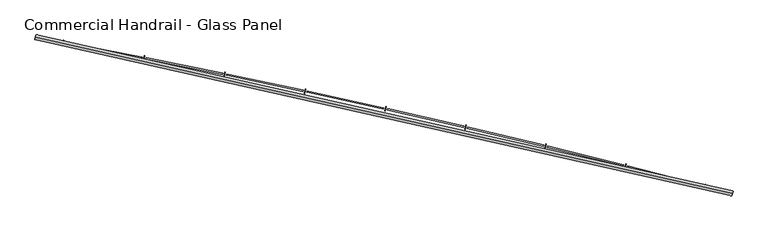
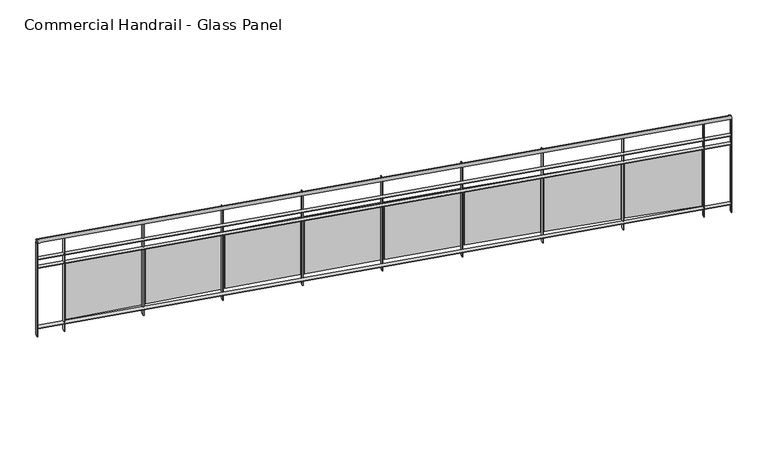
"""IFC4 building model written with IfcOpenShell, lengths in millimetres: railing geometry, Commercial Handrail - Glass Panel."""

from ifc_helpers import new_model, si_unit, point, frame, origin, place, context, project, spatial, polyline, circle_curve, ellipse_curve, trimmed, outline, extrude, source, transform, mapped, element, save
from ifc_brep_helpers import plane_surface, cylinder_surface, revolved_surface, advanced_brep


def commercial_handrail_glass_panel_0be6e5d0(model_context):
    return source(origin(), model_context, "Body", "SolidModel", [
        advanced_brep(
        [(147529.5593555, -11171.1779597, 36682.5), (140754.7489821, -9648.612099, 36682.5), (140754.7489821, -9648.612099, 36717.5), (147529.5593555, -11171.1779597, 36717.5)],
        [
            (0, 1, circle_curve(frame((123990.1653691, -100078.2018552, 36682.5), z_axis=(0.0, 0.0, 1.0), x_axis=(0.18228230158229036, 0.9832462369772197, 0.0)), 91970.4407253)),
            (1, 2, ellipse_curve(frame((140754.7489821, -9648.612099, 36700.0), z_axis=(0.9832462369772187, -0.18228230158229675, 0.0), x_axis=(-0.18228230158229672, -0.9832462369772185, 0.0)), 25.0, 17.5)),
            (2, 3, circle_curve(frame((123990.1653691, -100078.2018552, 36717.5), z_axis=(0.0, 0.0, -1.0), x_axis=(0.18228230158229036, 0.9832462369772197, 0.0)), 91970.4407253)),
            (3, 0, ellipse_curve(frame((147529.5593555, -11171.1779597, 36700.0), z_axis=(-0.9666912890096803, 0.2559452124045356, 0.0), x_axis=(-0.2559452124045356, -0.9666912890096803, 0.0)), 25.0, 17.5)),
            (2, 1, ellipse_curve(frame((140754.7489821, -9648.612099, 36700.0), z_axis=(0.9832462369772187, -0.18228230158229675, 0.0), x_axis=(-0.18228230158229672, -0.9832462369772185, 0.0)), 25.0, 17.5)),
            (0, 3, ellipse_curve(frame((147529.5593555, -11171.1779597, 36700.0), z_axis=(-0.9666912890096803, 0.2559452124045356, 0.0), x_axis=(-0.2559452124045356, -0.9666912890096803, 0.0)), 25.0, 17.5)),
        ],
        [
            revolved_surface(trimmed(ellipse_curve(frame((140754.7489821, -9648.612099, 36700.0), z_axis=(-0.9832462369772197, 0.18228230158229036, 0.0), x_axis=(0.0, 0.0, -1.0)), 17.5, 25.0), [point((140754.7489821, -9648.612099, 36717.5))], [point((140754.7489821, -9648.612099, 36682.5))], True, "CARTESIAN"), (123990.1653691, -100078.2018552, 36700.0), (0.0, 0.0, -1.0)),
            revolved_surface(trimmed(ellipse_curve(frame((140754.7489821, -9648.612099, 36700.0), z_axis=(-0.9832462369772197, 0.18228230158229036, 0.0), x_axis=(0.0, 0.0, -1.0)), 17.5, 25.0), [point((140754.7489821, -9648.612099, 36682.5))], [point((140754.7489821, -9648.612099, 36717.5))], True, "CARTESIAN"), (123990.1653691, -100078.2018552, 36700.0), (0.0, 0.0, -1.0)),
            plane_surface(frame((140754.7489821, -9648.612099, 36700.0), z_axis=(-0.9832462369772198, 0.1822823015822904, 0.0), x_axis=(0.1822823015822904, 0.9832462369772198, 0.0))),
            plane_surface(frame((147529.5593555, -11171.1779597, 36700.0), z_axis=(0.9666912890096803, -0.25594521240453566, 0.0), x_axis=(0.25594521240453566, 0.9666912890096803, 0.0))),
        ],
        [
            (0, [[1, 2, 3, 4]]),
            (1, [[-3, 5, -1, 6]]),
            (2, [[-2, -5]]),
            (3, [[-6, -4]]),
        ],
    ),
        advanced_brep(
        [(147535.3181228, -11149.4274057, 36500.0), (140758.8503338, -9626.4890586, 36500.0), (140750.6476303, -9670.7351393, 36500.0), (147523.8005882, -11192.9285137, 36500.0), (147535.3181228, -11149.4274057, 36494.0), (140758.8503338, -9626.4890586, 36494.0), (147523.8005882, -11192.9285137, 36494.0), (140750.6476303, -9670.7351393, 36494.0)],
        [
            (0, 1, circle_curve(frame((123990.1653691, -100078.2018552, 36500.0), z_axis=(0.0, 0.0, 1.0), x_axis=(0.18228230158229036, 0.9832462369772197, 0.0)), 91992.9407253)),
            (1, 2),
            (2, 3, circle_curve(frame((123990.1653691, -100078.2018552, 36500.0), z_axis=(0.0, 0.0, -1.0), x_axis=(0.18228230158229036, 0.9832462369772197, 0.0)), 91947.9407253)),
            (3, 0),
            (4, 5, circle_curve(frame((123990.1653691, -100078.2018552, 36494.0), z_axis=(0.0, 0.0, 1.0), x_axis=(0.18228230158229036, 0.9832462369772197, 0.0)), 91992.9407253)),
            (5, 1),
            (0, 4),
            (6, 7, circle_curve(frame((123990.1653691, -100078.2018552, 36494.0), z_axis=(0.0, 0.0, 1.0), x_axis=(0.18228230158229036, 0.9832462369772197, 0.0)), 91947.9407253)),
            (7, 5),
            (4, 6),
            (2, 7),
            (6, 3),
        ],
        [
            plane_surface(frame((123990.1653691, -100078.2018552, 36500.0), z_axis=(0.0, 0.0, 1.0), x_axis=(0.18228230158229036, 0.9832462369772197, 0.0))),
            cylinder_surface(frame((123990.1653691, -100078.2018552, 36500.0), z_axis=(0.0, 0.0, -1.0), x_axis=(0.18228230158229036, 0.9832462369772197, 0.0)), 91992.9407253),
            plane_surface(frame((123990.1653691, -100078.2018552, 36494.0), z_axis=(0.0, 0.0, -1.0), x_axis=(0.18228230158229036, 0.9832462369772197, 0.0))),
            revolved_surface(polyline([(140750.6476302597, -9670.735139244323, 36494.0), (140750.6476302597, -9670.735139244323, 36500.0)]), (123990.1653691, -100078.2018552, 36500.0), (0.0, 0.0, -1.0)),
            plane_surface(frame((140754.7489821, -9648.612099, 36500.0), z_axis=(-0.9832462369772198, 0.1822823015822904, 0.0), x_axis=(0.1822823015822904, 0.9832462369772198, 0.0))),
            plane_surface(frame((147529.5593555, -11171.1779597, 36500.0), z_axis=(0.9666912890096803, -0.25594521240453566, 0.0), x_axis=(0.25594521240453566, 0.9666912890096803, 0.0))),
        ],
        [
            (0, [[1, 2, 3, 4]]),
            (1, [[5, 6, -1, 7]]),
            (2, [[8, 9, -5, 10]]),
            (3, [[-3, 11, -8, 12]]),
            (4, [[-2, -6, -9, -11]]),
            (5, [[-12, -10, -7, -4]]),
        ],
    ),
        advanced_brep(
        [(147535.3181228, -11149.4274057, 36400.0), (140758.8503338, -9626.4890586, 36400.0), (140750.6476303, -9670.7351393, 36400.0), (147523.8005882, -11192.9285137, 36400.0), (147535.3181228, -11149.4274057, 36394.0), (140758.8503338, -9626.4890586, 36394.0), (147523.8005882, -11192.9285137, 36394.0), (140750.6476303, -9670.7351393, 36394.0)],
        [
            (0, 1, circle_curve(frame((123990.1653691, -100078.2018552, 36400.0), z_axis=(0.0, 0.0, 1.0), x_axis=(0.18228230158229036, 0.9832462369772197, 0.0)), 91992.9407253)),
            (1, 2),
            (2, 3, circle_curve(frame((123990.1653691, -100078.2018552, 36400.0), z_axis=(0.0, 0.0, -1.0), x_axis=(0.18228230158229036, 0.9832462369772197, 0.0)), 91947.9407253)),
            (3, 0),
            (4, 5, circle_curve(frame((123990.1653691, -100078.2018552, 36394.0), z_axis=(0.0, 0.0, 1.0), x_axis=(0.18228230158229036, 0.9832462369772197, 0.0)), 91992.9407253)),
            (5, 1),
            (0, 4),
            (6, 7, circle_curve(frame((123990.1653691, -100078.2018552, 36394.0), z_axis=(0.0, 0.0, 1.0), x_axis=(0.18228230158229036, 0.9832462369772197, 0.0)), 91947.9407253)),
            (7, 5),
            (4, 6),
            (2, 7),
            (6, 3),
        ],
        [
            plane_surface(frame((123990.1653691, -100078.2018552, 36400.0), z_axis=(0.0, 0.0, 1.0), x_axis=(0.18228230158229036, 0.9832462369772197, 0.0))),
            cylinder_surface(frame((123990.1653691, -100078.2018552, 36400.0), z_axis=(0.0, 0.0, -1.0), x_axis=(0.18228230158229036, 0.9832462369772197, 0.0)), 91992.9407253),
            plane_surface(frame((123990.1653691, -100078.2018552, 36394.0), z_axis=(0.0, 0.0, -1.0), x_axis=(0.18228230158229036, 0.9832462369772197, 0.0))),
            revolved_surface(polyline([(140750.6476302597, -9670.735139244323, 36394.0), (140750.6476302597, -9670.735139244323, 36400.0)]), (123990.1653691, -100078.2018552, 36400.0), (0.0, 0.0, -1.0)),
            plane_surface(frame((140754.7489821, -9648.612099, 36400.0), z_axis=(-0.9832462369772198, 0.1822823015822904, 0.0), x_axis=(0.1822823015822904, 0.9832462369772198, 0.0))),
            plane_surface(frame((147529.5593555, -11171.1779597, 36400.0), z_axis=(0.9666912890096803, -0.25594521240453566, 0.0), x_axis=(0.25594521240453566, 0.9666912890096803, 0.0))),
        ],
        [
            (0, [[1, 2, 3, 4]]),
            (1, [[5, 6, -1, 7]]),
            (2, [[8, 9, -5, 10]]),
            (3, [[-3, 11, -8, 12]]),
            (4, [[-2, -6, -9, -11]]),
            (5, [[-12, -10, -7, -4]]),
        ],
    ),
        advanced_brep(
        [(147535.3181228, -11149.4274057, 35700.0), (140758.8503338, -9626.4890586, 35700.0), (140750.6476303, -9670.7351393, 35700.0), (147523.8005882, -11192.9285137, 35700.0), (147535.3181228, -11149.4274057, 35694.0), (140758.8503338, -9626.4890586, 35694.0), (147523.8005882, -11192.9285137, 35694.0), (140750.6476303, -9670.7351393, 35694.0)],
        [
            (0, 1, circle_curve(frame((123990.1653691, -100078.2018552, 35700.0), z_axis=(0.0, 0.0, 1.0), x_axis=(0.18228230158229036, 0.9832462369772197, 0.0)), 91992.9407253)),
            (1, 2),
            (2, 3, circle_curve(frame((123990.1653691, -100078.2018552, 35700.0), z_axis=(0.0, 0.0, -1.0), x_axis=(0.18228230158229036, 0.9832462369772197, 0.0)), 91947.9407253)),
            (3, 0),
            (4, 5, circle_curve(frame((123990.1653691, -100078.2018552, 35694.0), z_axis=(0.0, 0.0, 1.0), x_axis=(0.18228230158229036, 0.9832462369772197, 0.0)), 91992.9407253)),
            (5, 1),
            (0, 4),
            (6, 7, circle_curve(frame((123990.1653691, -100078.2018552, 35694.0), z_axis=(0.0, 0.0, 1.0), x_axis=(0.18228230158229036, 0.9832462369772197, 0.0)), 91947.9407253)),
            (7, 5),
            (4, 6),
            (2, 7),
            (6, 3),
        ],
        [
            plane_surface(frame((123990.1653691, -100078.2018552, 35700.0), z_axis=(0.0, 0.0, 1.0), x_axis=(0.18228230158229036, 0.9832462369772197, 0.0))),
            cylinder_surface(frame((123990.1653691, -100078.2018552, 35700.0), z_axis=(0.0, 0.0, -1.0), x_axis=(0.18228230158229036, 0.9832462369772197, 0.0)), 91992.9407253),
            plane_surface(frame((123990.1653691, -100078.2018552, 35694.0), z_axis=(0.0, 0.0, -1.0), x_axis=(0.18228230158229036, 0.9832462369772197, 0.0))),
            revolved_surface(polyline([(140750.6476302597, -9670.735139244323, 35694.0), (140750.6476302597, -9670.735139244323, 35700.0)]), (123990.1653691, -100078.2018552, 35700.0), (0.0, 0.0, -1.0)),
            plane_surface(frame((140754.7489821, -9648.612099, 35700.0), z_axis=(-0.9832462369772198, 0.1822823015822904, 0.0), x_axis=(0.1822823015822904, 0.9832462369772198, 0.0))),
            plane_surface(frame((147529.5593555, -11171.1779597, 35700.0), z_axis=(0.9666912890096803, -0.25594521240453566, 0.0), x_axis=(0.25594521240453566, 0.9666912890096803, 0.0))),
        ],
        [
            (0, [[1, 2, 3, 4]]),
            (1, [[5, 6, -1, 7]]),
            (2, [[8, 9, -5, 10]]),
            (3, [[-3, 11, -8, 12]]),
            (4, [[-2, -6, -9, -11]]),
            (5, [[-12, -10, -7, -4]]),
        ],
    ),
        extrude(outline(polyline([(147257.221986, -11122.7754383), (147268.6104754, -11079.2403685), (147274.4151514, -11080.7588337), (147263.0266619, -11124.2939036), (147257.221986, -11122.7754383)])), frame((0.0, 0.0, 35600.0), z_axis=(0.0, 0.0, 1.0), x_axis=(1.0, 0.0, 0.0)), (0.0, 0.0, 1.0), 1082.1192282),
        extrude(outline(polyline([(146512.0701942, -10900.9970799), (147248.1587203, -11090.1363983), (147245.17231, -11101.7588487), (146509.0837839, -10912.6195303), (146512.0701942, -10900.9970799)])), frame((0.0, 0.0, 35720.0), z_axis=(0.0, 0.0, 1.0), x_axis=(1.0, 0.0, 0.0)), (0.0, 0.0, 1.0), 660.0),
        extrude(outline(polyline([(146482.5774638, -10923.7560279), (146493.5868397, -10880.1235441), (146499.4045042, -10881.5914608), (146488.3951283, -10925.2239446), (146482.5774638, -10923.7560279)])), frame((0.0, 0.0, 35600.0), z_axis=(0.0, 0.0, 1.0), x_axis=(1.0, 0.0, 0.0)), (0.0, 0.0, 1.0), 1082.1192282),
        extrude(outline(polyline([(145735.524759, -10708.4676411), (146473.2306356, -10891.1970579), (146470.3454342, -10902.8450454), (145732.6395577, -10720.1156287), (145735.524759, -10708.4676411)])), frame((0.0, 0.0, 35720.0), z_axis=(0.0, 0.0, 1.0), x_axis=(1.0, 0.0, 0.0)), (0.0, 0.0, 1.0), 660.0),
        extrude(outline(polyline([(145706.2311094, -10731.4822658), (145716.8605387, -10687.7556694), (145722.6907516, -10689.1729267), (145712.0613222, -10732.8995231), (145706.2311094, -10731.4822658)])), frame((0.0, 0.0, 35600.0), z_axis=(0.0, 0.0, 1.0), x_axis=(1.0, 0.0, 0.0)), (0.0, 0.0, 1.0), 1082.1192282),
        extrude(outline(polyline([(144957.3340156, -10522.7001401), (145696.6014259, -10699.0058295), (145693.8176518, -10710.6784728), (144954.5502416, -10534.3727835), (144957.3340156, -10522.7001401)])), frame((0.0, 0.0, 35720.0), z_axis=(0.0, 0.0, 1.0), x_axis=(1.0, 0.0, 0.0)), (0.0, 0.0, 1.0), 660.0),
        extrude(outline(polyline([(144928.2416631, -10545.9687002), (144938.4903417, -10502.1512997), (144944.3326617, -10503.5177901), (144934.0839832, -10547.3351907), (144928.2416631, -10545.9687002)])), frame((0.0, 0.0, 35600.0), z_axis=(0.0, 0.0, 1.0), x_axis=(1.0, 0.0, 0.0)), (0.0, 0.0, 1.0), 1082.1192282),
        extrude(outline(polyline([(144177.5568437, -10343.7086325), (144918.3298529, -10513.5772547), (144915.6477168, -10525.2736707), (144174.8747076, -10355.4050484), (144177.5568437, -10343.7086325)])), frame((0.0, 0.0, 35720.0), z_axis=(0.0, 0.0, 1.0), x_axis=(1.0, 0.0, 0.0)), (0.0, 0.0, 1.0), 660.0),
        extrude(outline(polyline([(144148.6679896, -10367.2293674), (144158.5351419, -10323.324478), (144164.3891271, -10324.6400983), (144154.5219749, -10368.5449877), (144148.6679896, -10367.2293674)])), frame((0.0, 0.0, 35600.0), z_axis=(0.0, 0.0, 1.0), x_axis=(1.0, 0.0, 0.0)), (0.0, 0.0, 1.0), 1082.1192282),
        extrude(outline(polyline([(143396.2522433, -10171.5066611), (144138.4748027, -10334.9253636), (144135.8945074, -10346.6446671), (143393.671948, -10183.2259647), (143396.2522433, -10171.5066611)])), frame((0.0, 0.0, 35720.0), z_axis=(0.0, 0.0, 1.0), x_axis=(1.0, 0.0, 0.0)), (0.0, 0.0, 1.0), 660.0),
        extrude(outline(polyline([(143367.5690734, -10195.2777912), (143377.0539528, -10151.288735), (143382.9191603, -10152.5533856), (143373.4342809, -10196.5424418), (143367.5690734, -10195.2777912)])), frame((0.0, 0.0, 35600.0), z_axis=(0.0, 0.0, 1.0), x_axis=(1.0, 0.0, 0.0)), (0.0, 0.0, 1.0), 1082.1192282),
        extrude(outline(polyline([(142613.4793297, -10006.1072553), (143357.0952809, -10163.0636733), (143354.6170217, -10174.8049778), (142611.0010705, -10017.8485598), (142613.4793297, -10006.1072553)])), frame((0.0, 0.0, 35720.0), z_axis=(0.0, 0.0, 1.0), x_axis=(1.0, 0.0, 0.0)), (0.0, 0.0, 1.0), 660.0),
        extrude(outline(polyline([(142585.0040143, -10030.126982), (142594.1059033, -9986.0570873), (142599.9818892, -9987.2706725), (142590.8800002, -10031.3405672), (142585.0040143, -10030.126982)])), frame((0.0, 0.0, 35600.0), z_axis=(0.0, 0.0, 1.0), x_axis=(1.0, 0.0, 0.0)), (0.0, 0.0, 1.0), 1082.1192282),
        extrude(outline(polyline([(141829.2973297, -9847.5229296), (142574.2504088, -9998.0051873), (142571.8743732, -10009.7676044), (141826.921294, -9859.2853466), (141829.2973297, -9847.5229296)])), frame((0.0, 0.0, 35720.0), z_axis=(0.0, 0.0, 1.0), x_axis=(1.0, 0.0, 0.0)), (0.0, 0.0, 1.0), 660.0),
        extrude(outline(polyline([(141801.0320231, -9871.7894354), (141809.750233, -9827.6420367), (141815.6365528, -9828.8044646), (141806.918343, -9872.9518634), (141801.0320231, -9871.7894354)])), frame((0.0, 0.0, 35600.0), z_axis=(0.0, 0.0, 1.0), x_axis=(1.0, 0.0, 0.0)), (0.0, 0.0, 1.0), 1082.1192282),
        extrude(outline(polyline([(141043.7655762, -9695.7656828), (141789.9994183, -9839.7623945), (141787.725786, -9851.5450341), (141041.491944, -9707.5483224), (141043.7655762, -9695.7656828)])), frame((0.0, 0.0, 35720.0), z_axis=(0.0, 0.0, 1.0), x_axis=(1.0, 0.0, 0.0)), (0.0, 0.0, 1.0), 660.0),
        extrude(outline(polyline([(141015.7124173, -9720.2771318), (141024.0462883, -9676.0555692), (141029.9424967, -9677.166752), (141021.6086256, -9721.3883146), (141015.7124173, -9720.2771318)])), frame((0.0, 0.0, 35600.0), z_axis=(0.0, 0.0, 1.0), x_axis=(1.0, 0.0, 0.0)), (0.0, 0.0, 1.0), 1082.1192282),
        extrude(outline(polyline([(147520.9005143, -11192.1606781), (147532.4180489, -11148.6595701), (147538.2181966, -11150.1952413), (147526.7006621, -11193.6963494), (147520.9005143, -11192.1606781)])), frame((0.0, 0.0, 35600.0), z_axis=(0.0, 0.0, 1.0), x_axis=(1.0, 0.0, 0.0)), (0.0, 0.0, 1.0), 1082.1192282),
        extrude(outline(polyline([(140747.6978916, -9670.1882924), (140755.9005951, -9625.9422117), (140761.8000726, -9627.0359055), (140753.597369, -9671.2819862), (140747.6978916, -9670.1882924)])), frame((0.0, 0.0, 35600.0), z_axis=(0.0, 0.0, 1.0), x_axis=(1.0, 0.0, 0.0)), (0.0, 0.0, 1.0), 1082.1192282),
    ])


if __name__ == "__main__":
    model = new_model("IFC4")
    model_context = context("Model", 3, world=origin())
    ifc_project = project(units=[si_unit("LENGTHUNIT", "METRE", prefix="MILLI")], contexts=[model_context])
    site = spatial("IfcSite", under=ifc_project)
    building = spatial("IfcBuilding", under=site)
    placement = place(None, origin())
    commercial_handrail_glass_panel_shape = commercial_handrail_glass_panel_0be6e5d0(model_context)
    element("IfcRailing", 1, ObjectType="Commercial Handrail - Glass Panel", at=placement, inside=building, context=model_context, shape_type="MappedRepresentation", body=[
        mapped(commercial_handrail_glass_panel_shape, transform((0.0, 0.0, 0.0), x_axis=(1.0, 0.0, 0.0), y_axis=(0.0, 1.0, 0.0), z_axis=(0.0, 0.0, 1.0))),
    ])
    save(model, "model.ifc")
